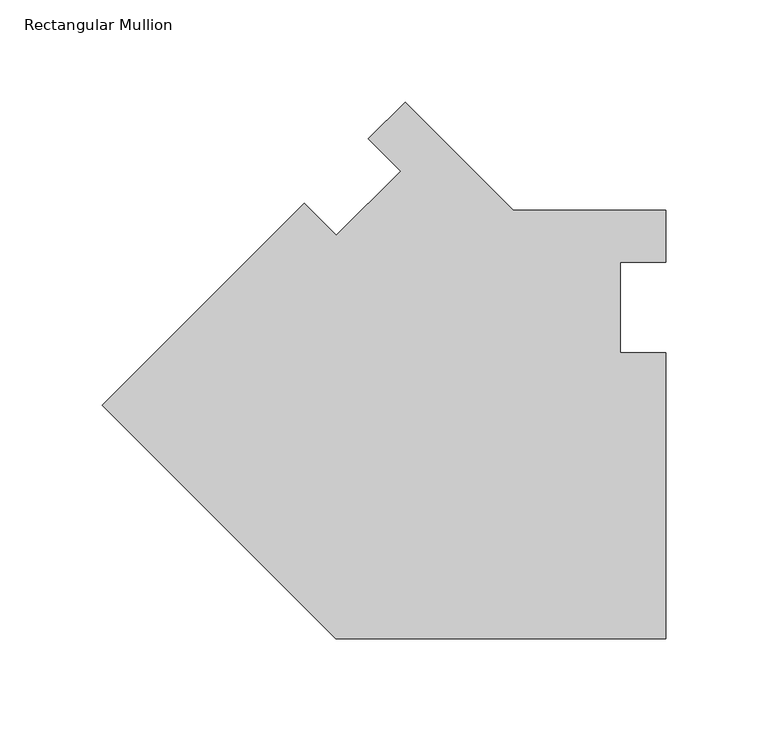
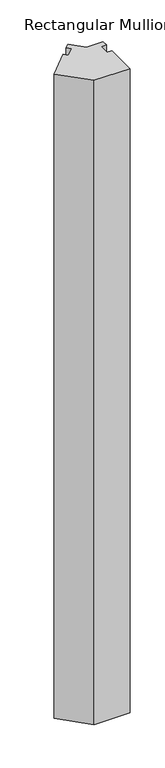
"""IFC4 building model written with IfcOpenShell, lengths in millimetres: member geometry, Rectangular Mullion."""

from ifc_helpers import new_model, si_unit, frame, origin, place, context, project, spatial, polyline, outline, extrude, source, transform, mapped, element, save


def rectangular_mullion_3212cb7e(model_context):
    return source(origin(), model_context, "Body", "SweptSolid", [
        extrude(outline(polyline([(-161.4577819, -95.25), (-275.6256123, 18.9178305), (-176.8428025, 117.7006403), (-161.1274343, 101.9852721), (-129.6965379, 133.4161686), (-145.4118509, 149.1314816), (-127.4512795, 167.0920529), (-74.6592326, 114.300006), (-3.1e-06, 114.3000057), (-3.2e-06, 88.9000056), (-22.225, 88.9000056), (-22.225, 44.4500056), (0.0, 44.4500056), (-0.000114, -95.25), (-161.4577819, -95.25)])), frame((0.0, 0.0, -3048.0), z_axis=(0.0, 0.0, 1.0), x_axis=(1.0, 0.0, 0.0)), (0.0, 0.0, 1.0), 3048.0),
    ])


if __name__ == "__main__":
    model = new_model("IFC4")
    model_context = context("Model", 3, world=origin())
    ifc_project = project(units=[si_unit("LENGTHUNIT", "METRE", prefix="MILLI")], contexts=[model_context])
    site = spatial("IfcSite", under=ifc_project)
    building = spatial("IfcBuilding", under=site)
    placement = place(None, origin())
    rectangular_mullion_shape = rectangular_mullion_3212cb7e(model_context)
    element("IfcMember", 1, ObjectType="Rectangular Mullion", at=placement, inside=building, context=model_context, shape_type="MappedRepresentation", body=[
        mapped(rectangular_mullion_shape, transform((0.0, 0.0, 0.0), x_axis=(1.0, 0.0, 0.0), y_axis=(0.0, 1.0, 0.0), z_axis=(0.0, 0.0, 1.0))),
    ])
    save(model, "model.ifc")
